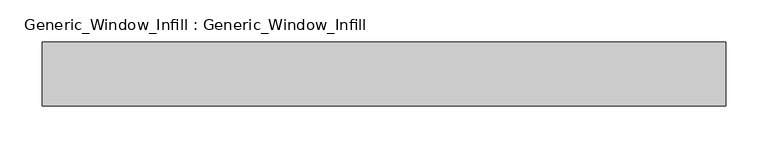
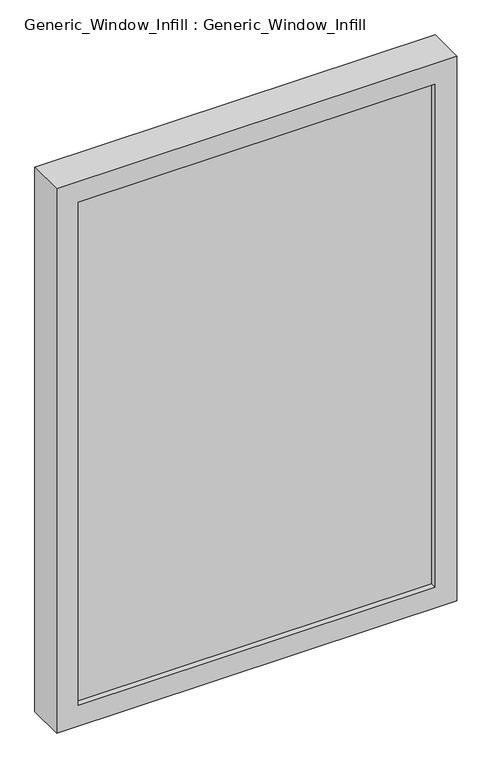
"""IFC4 building model written with IfcOpenShell, lengths in millimetres: plate geometry, Generic_Window_Infill : Generic_Window_Infill."""

from ifc_helpers import new_model, si_unit, frame, origin, place, context, project, spatial, polyline, outline, extrude, source, transform, mapped, element, save


def generic_window_infill_generic_window_infill_d6731c25(model_context):
    return source(origin(), model_context, "Body", "SweptSolid", [
        extrude(outline(polyline([(361.95, 12.0261239), (-361.95, 12.0261239), (-361.95, 42.4497356), (361.95, 42.4497356), (361.95, 12.0261239)])), frame((0.0, 0.0, 44.45), z_axis=(0.0, 0.0, 1.0), x_axis=(1.0, 0.0, 0.0)), (0.0, 0.0, 1.0), 1079.5),
        extrude(outline(polyline([(1168.4, 406.4), (1168.4, -406.4), (0.0, -406.4), (0.0, 406.4), (1168.4, 406.4)]), holes=[polyline([(44.45, 361.95), (44.45, -361.95), (1123.95, -361.95), (1123.95, 361.95), (44.45, 361.95)])]), frame((0.0, 0.0, 0.0), z_axis=(0.0, 1.0, 0.0), x_axis=(0.0, 0.0, 1.0)), (0.0, 0.0, 1.0), 76.2),
    ])


if __name__ == "__main__":
    model = new_model("IFC4")
    model_context = context("Model", 3, world=origin())
    ifc_project = project(units=[si_unit("LENGTHUNIT", "METRE", prefix="MILLI")], contexts=[model_context])
    site = spatial("IfcSite", under=ifc_project)
    building = spatial("IfcBuilding", under=site)
    placement = place(None, origin())
    generic_window_infill_generic_window_infill_shape = generic_window_infill_generic_window_infill_d6731c25(model_context)
    element("IfcPlate", 1, ObjectType="Generic_Window_Infill : Generic_Window_Infill", at=placement, inside=building, context=model_context, shape_type="MappedRepresentation", body=[
        mapped(generic_window_infill_generic_window_infill_shape, transform((0.0, 0.0, 0.0), x_axis=(1.0, 0.0, 0.0), y_axis=(0.0, 1.0, 0.0), z_axis=(0.0, 0.0, 1.0))),
    ])
    save(model, "model.ifc")
